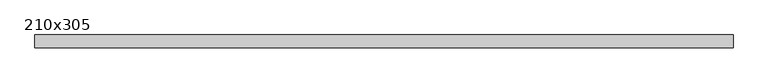
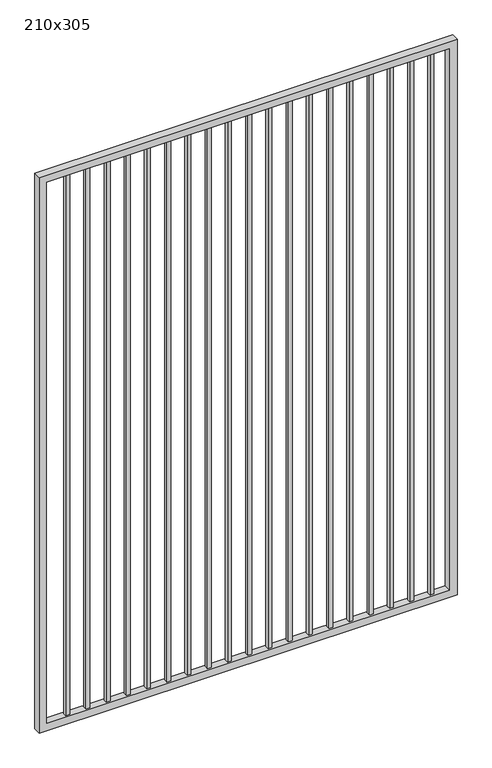
"""IFC4 building model written with IfcOpenShell, lengths in millimetres: proxy geometry, 210x305."""

from ifc_helpers import new_model, si_unit, frame, origin, place, context, project, spatial, polyline, outline, extrude, source, transform, mapped, element, save


def proxy_210x305_43e1d9e9(model_context):
    return source(origin(), model_context, "Body", "SweptSolid", [
        extrude(outline(polyline([(2016.125, -9.525), (1997.075, -9.525), (1997.075, 9.525), (2016.125, 9.525), (2016.125, -9.525)])), frame((0.0, 0.0, 139.7), z_axis=(0.0, 0.0, 1.0), x_axis=(1.0, 0.0, 0.0)), (0.0, 0.0, 1.0), 2880.0),
        extrude(outline(polyline([(1914.525, -9.525), (1895.475, -9.525), (1895.475, 9.525), (1914.525, 9.525), (1914.525, -9.525)])), frame((0.0, 0.0, 139.7), z_axis=(0.0, 0.0, 1.0), x_axis=(1.0, 0.0, 0.0)), (0.0, 0.0, 1.0), 2880.0),
        extrude(outline(polyline([(1812.925, -9.525), (1793.875, -9.525), (1793.875, 9.525), (1812.925, 9.525), (1812.925, -9.525)])), frame((0.0, 0.0, 139.7), z_axis=(0.0, 0.0, 1.0), x_axis=(1.0, 0.0, 0.0)), (0.0, 0.0, 1.0), 2880.0),
        extrude(outline(polyline([(1711.325, -9.525), (1692.275, -9.525), (1692.275, 9.525), (1711.325, 9.525), (1711.325, -9.525)])), frame((0.0, 0.0, 139.7), z_axis=(0.0, 0.0, 1.0), x_axis=(1.0, 0.0, 0.0)), (0.0, 0.0, 1.0), 2880.0),
        extrude(outline(polyline([(1609.725, -9.525), (1590.675, -9.525), (1590.675, 9.525), (1609.725, 9.525), (1609.725, -9.525)])), frame((0.0, 0.0, 139.7), z_axis=(0.0, 0.0, 1.0), x_axis=(1.0, 0.0, 0.0)), (0.0, 0.0, 1.0), 2880.0),
        extrude(outline(polyline([(1508.125, -9.525), (1489.075, -9.525), (1489.075, 9.525), (1508.125, 9.525), (1508.125, -9.525)])), frame((0.0, 0.0, 139.7), z_axis=(0.0, 0.0, 1.0), x_axis=(1.0, 0.0, 0.0)), (0.0, 0.0, 1.0), 2880.0),
        extrude(outline(polyline([(1406.525, -9.525), (1387.475, -9.525), (1387.475, 9.525), (1406.525, 9.525), (1406.525, -9.525)])), frame((0.0, 0.0, 139.7), z_axis=(0.0, 0.0, 1.0), x_axis=(1.0, 0.0, 0.0)), (0.0, 0.0, 1.0), 2880.0),
        extrude(outline(polyline([(1304.925, -9.525), (1285.875, -9.525), (1285.875, 9.525), (1304.925, 9.525), (1304.925, -9.525)])), frame((0.0, 0.0, 139.7), z_axis=(0.0, 0.0, 1.0), x_axis=(1.0, 0.0, 0.0)), (0.0, 0.0, 1.0), 2880.0),
        extrude(outline(polyline([(1203.325, -9.525), (1184.275, -9.525), (1184.275, 9.525), (1203.325, 9.525), (1203.325, -9.525)])), frame((0.0, 0.0, 139.7), z_axis=(0.0, 0.0, 1.0), x_axis=(1.0, 0.0, 0.0)), (0.0, 0.0, 1.0), 2880.0),
        extrude(outline(polyline([(1101.725, -9.525), (1082.675, -9.525), (1082.675, 9.525), (1101.725, 9.525), (1101.725, -9.525)])), frame((0.0, 0.0, 139.7), z_axis=(0.0, 0.0, 1.0), x_axis=(1.0, 0.0, 0.0)), (0.0, 0.0, 1.0), 2880.0),
        extrude(outline(polyline([(1000.125, -9.525), (981.075, -9.525), (981.075, 9.525), (1000.125, 9.525), (1000.125, -9.525)])), frame((0.0, 0.0, 139.7), z_axis=(0.0, 0.0, 1.0), x_axis=(1.0, 0.0, 0.0)), (0.0, 0.0, 1.0), 2880.0),
        extrude(outline(polyline([(898.525, -9.525), (879.475, -9.525), (879.475, 9.525), (898.525, 9.525), (898.525, -9.525)])), frame((0.0, 0.0, 139.7), z_axis=(0.0, 0.0, 1.0), x_axis=(1.0, 0.0, 0.0)), (0.0, 0.0, 1.0), 2880.0),
        extrude(outline(polyline([(796.925, -9.525), (777.875, -9.525), (777.875, 9.525), (796.925, 9.525), (796.925, -9.525)])), frame((0.0, 0.0, 139.7), z_axis=(0.0, 0.0, 1.0), x_axis=(1.0, 0.0, 0.0)), (0.0, 0.0, 1.0), 2880.0),
        extrude(outline(polyline([(695.325, -9.525), (676.275, -9.525), (676.275, 9.525), (695.325, 9.525), (695.325, -9.525)])), frame((0.0, 0.0, 139.7), z_axis=(0.0, 0.0, 1.0), x_axis=(1.0, 0.0, 0.0)), (0.0, 0.0, 1.0), 2880.0),
        extrude(outline(polyline([(593.725, -9.525), (574.675, -9.525), (574.675, 9.525), (593.725, 9.525), (593.725, -9.525)])), frame((0.0, 0.0, 139.7), z_axis=(0.0, 0.0, 1.0), x_axis=(1.0, 0.0, 0.0)), (0.0, 0.0, 1.0), 2880.0),
        extrude(outline(polyline([(492.125, -9.525), (473.075, -9.525), (473.075, 9.525), (492.125, 9.525), (492.125, -9.525)])), frame((0.0, 0.0, 139.7), z_axis=(0.0, 0.0, 1.0), x_axis=(1.0, 0.0, 0.0)), (0.0, 0.0, 1.0), 2880.0),
        extrude(outline(polyline([(390.525, -9.525), (371.475, -9.525), (371.475, 9.525), (390.525, 9.525), (390.525, -9.525)])), frame((0.0, 0.0, 139.7), z_axis=(0.0, 0.0, 1.0), x_axis=(1.0, 0.0, 0.0)), (0.0, 0.0, 1.0), 2880.0),
        extrude(outline(polyline([(288.925, -9.525), (269.875, -9.525), (269.875, 9.525), (288.925, 9.525), (288.925, -9.525)])), frame((0.0, 0.0, 139.7), z_axis=(0.0, 0.0, 1.0), x_axis=(1.0, 0.0, 0.0)), (0.0, 0.0, 1.0), 2880.0),
        extrude(outline(polyline([(187.325, -9.525), (168.275, -9.525), (168.275, 9.525), (187.325, 9.525), (187.325, -9.525)])), frame((0.0, 0.0, 139.7), z_axis=(0.0, 0.0, 1.0), x_axis=(1.0, 0.0, 0.0)), (0.0, 0.0, 1.0), 2880.0),
        extrude(outline(polyline([(3050.0, 2127.3), (3050.0, 30.0), (101.6, 30.0), (101.6, 2127.3), (3050.0, 2127.3)]), holes=[polyline([(139.7, 2089.2), (139.7, 68.1), (3011.9, 68.1), (3011.9, 2089.2), (139.7, 2089.2)])]), frame((0.0, -19.05, 0.0), z_axis=(0.0, 1.0, 0.0), x_axis=(0.0, 0.0, 1.0)), (0.0, 0.0, 1.0), 38.1),
    ])


if __name__ == "__main__":
    model = new_model("IFC4")
    model_context = context("Model", 3, world=origin())
    ifc_project = project(units=[si_unit("LENGTHUNIT", "METRE", prefix="MILLI")], contexts=[model_context])
    site = spatial("IfcSite", under=ifc_project)
    building = spatial("IfcBuilding", under=site)
    placement = place(None, origin())
    proxy_210x305_shape = proxy_210x305_43e1d9e9(model_context)
    element("IfcBuildingElementProxy", 1, Name="210x305", ObjectType="210x305", at=placement, inside=building, context=model_context, shape_type="MappedRepresentation", body=[
        mapped(proxy_210x305_shape, transform((0.0, 0.0, 0.0), x_axis=(1.0, 0.0, 0.0), y_axis=(0.0, 1.0, 0.0), z_axis=(0.0, 0.0, 1.0))),
    ])
    save(model, "model.ifc")
